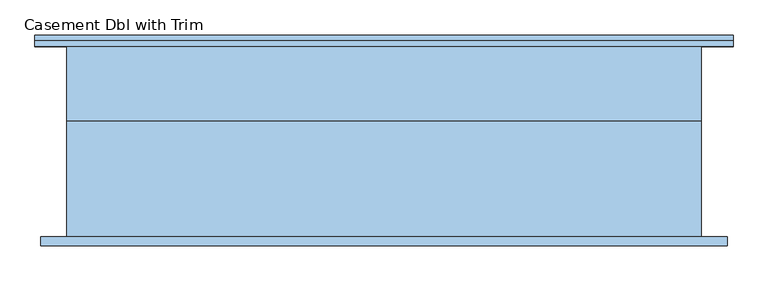
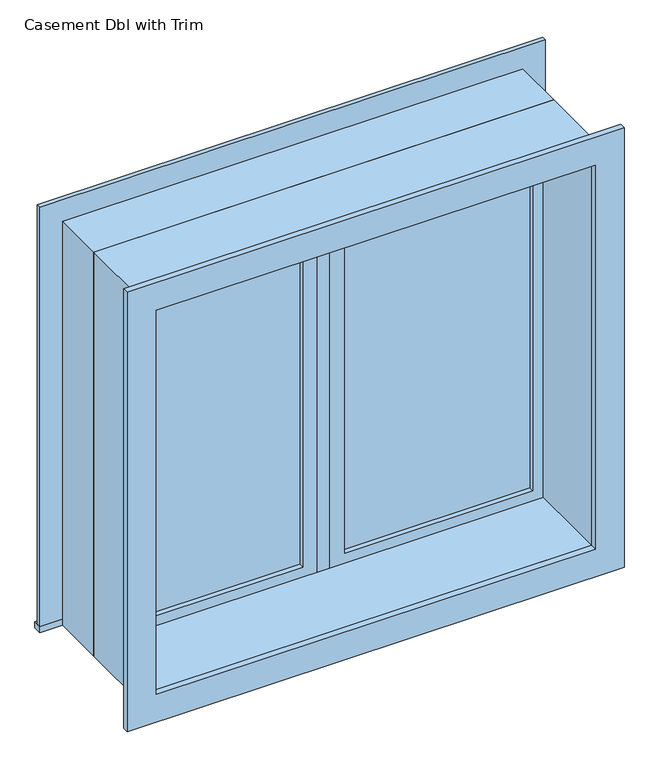
"""IFC4 building model written with IfcOpenShell, lengths in millimetres: window geometry, Casement Dbl with Trim."""

from ifc_helpers import new_model, si_unit, frame, origin, place, context, project, spatial, polyline, outline, extrude, source, transform, mapped, element, save


def casement_dbl_with_trim_a520f540(model_context):
    return source(origin(), model_context, "Body", "SweptSolid", [
        extrude(outline(polyline([(63.5, 93.175), (636.5, 93.175), (636.5, 80.475), (63.5, 80.475), (63.5, 93.175)])), frame((0.0, 0.0, 977.9), z_axis=(0.0, 0.0, 1.0), x_axis=(1.0, 0.0, 0.0)), (0.0, 0.0, 1.0), 1173.0),
        extrude(outline(polyline([(2195.35, 19.05), (933.45, 19.05), (933.45, 680.95), (2195.35, 680.95), (2195.35, 19.05)]), holes=[polyline([(2150.9, 63.5), (2150.9, 636.5), (977.9, 636.5), (977.9, 63.5), (2150.9, 63.5)])]), frame((0.0, 64.6, 0.0), z_axis=(0.0, 1.0, 0.0), x_axis=(0.0, 0.0, 1.0)), (0.0, 0.0, 1.0), 44.45),
        extrude(outline(polyline([(19.05, 64.6), (-19.05, 64.6), (-19.05, 128.1), (19.05, 128.1), (19.05, 64.6)])), frame((0.0, 0.0, 933.45), z_axis=(0.0, 0.0, 1.0), x_axis=(1.0, 0.0, 0.0)), (0.0, 0.0, 1.0), 1261.9),
        extrude(outline(polyline([(-769.85, 254.45), (769.85, 254.45), (769.85, 229.05), (-769.85, 229.05), (-769.85, 254.45)])), frame((0.0, 0.0, 914.4), z_axis=(0.0, 0.0, 1.0), x_axis=(1.0, 0.0, 0.0)), (0.0, 0.0, 1.0), 19.05),
        extrude(outline(polyline([(2195.35, -680.95), (2195.35, 680.95), (933.45, 680.95), (933.45, 769.85), (2284.25, 769.85), (2284.25, -769.85), (933.45, -769.85), (933.45, -680.95), (2195.35, -680.95)])), frame((0.0, 229.05, 0.0), z_axis=(0.0, 1.0, 0.0), x_axis=(0.0, 0.0, 1.0)), (0.0, 0.0, 1.0), 12.7),
        extrude(outline(polyline([(2271.55, 757.15), (2271.55, -757.15), (857.25, -757.15), (857.25, 757.15), (2271.55, 757.15)]), holes=[polyline([(2182.65, 668.25), (946.15, 668.25), (946.15, -668.25), (2182.65, -668.25), (2182.65, 668.25)])]), frame((0.0, -210.0, 0.0), z_axis=(0.0, 1.0, 0.0), x_axis=(0.0, 0.0, 1.0)), (0.0, 0.0, 1.0), 19.05),
        extrude(outline(polyline([(-63.5, 80.475), (-636.5, 80.475), (-636.5, 93.175), (-63.5, 93.175), (-63.5, 80.475)])), frame((0.0, 0.0, 977.9), z_axis=(0.0, 0.0, 1.0), x_axis=(1.0, 0.0, 0.0)), (0.0, 0.0, 1.0), 1173.0),
        extrude(outline(polyline([(2195.35, -680.95), (933.45, -680.95), (933.45, -19.05), (2195.35, -19.05), (2195.35, -680.95)]), holes=[polyline([(2150.9, -636.5), (2150.9, -63.5), (977.9, -63.5), (977.9, -636.5), (2150.9, -636.5)])]), frame((0.0, 64.6, 0.0), z_axis=(0.0, 1.0, 0.0), x_axis=(0.0, 0.0, 1.0)), (0.0, 0.0, 1.0), 44.45),
        extrude(outline(polyline([(2214.4, -700.0), (914.4, -700.0), (914.4, 700.0), (2214.4, 700.0), (2214.4, -700.0)]), holes=[polyline([(2182.65, -668.25), (2182.65, 668.25), (946.15, 668.25), (946.15, -668.25), (2182.65, -668.25)])]), frame((0.0, -190.95, 0.0), z_axis=(0.0, 1.0, 0.0), x_axis=(0.0, 0.0, 1.0)), (0.0, 0.0, 1.0), 255.55),
        extrude(outline(polyline([(2214.4, 700.0), (2214.4, -700.0), (914.4, -700.0), (914.4, 700.0), (2214.4, 700.0)]), holes=[polyline([(2195.35, 680.95), (933.45, 680.95), (933.45, -680.95), (2195.35, -680.95), (2195.35, 680.95)])]), frame((0.0, 64.6, 0.0), z_axis=(0.0, 1.0, 0.0), x_axis=(0.0, 0.0, 1.0)), (0.0, 0.0, 1.0), 164.45),
    ])


if __name__ == "__main__":
    model = new_model("IFC4")
    model_context = context("Model", 3, world=origin())
    ifc_project = project(units=[si_unit("LENGTHUNIT", "METRE", prefix="MILLI")], contexts=[model_context])
    site = spatial("IfcSite", under=ifc_project)
    building = spatial("IfcBuilding", under=site)
    placement = place(None, origin())
    casement_dbl_with_trim_shape = casement_dbl_with_trim_a520f540(model_context)
    element("IfcWindow", 1, ObjectType="Casement Dbl with Trim", at=placement, inside=building, context=model_context, shape_type="MappedRepresentation", body=[
        mapped(casement_dbl_with_trim_shape, transform((0.0, 0.0, 0.0), x_axis=(1.0, 0.0, 0.0), y_axis=(0.0, 1.0, 0.0), z_axis=(0.0, 0.0, 1.0))),
    ])
    save(model, "model.ifc")
